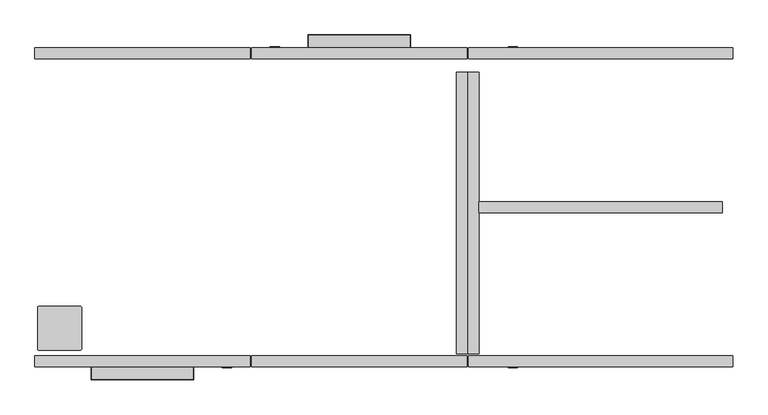
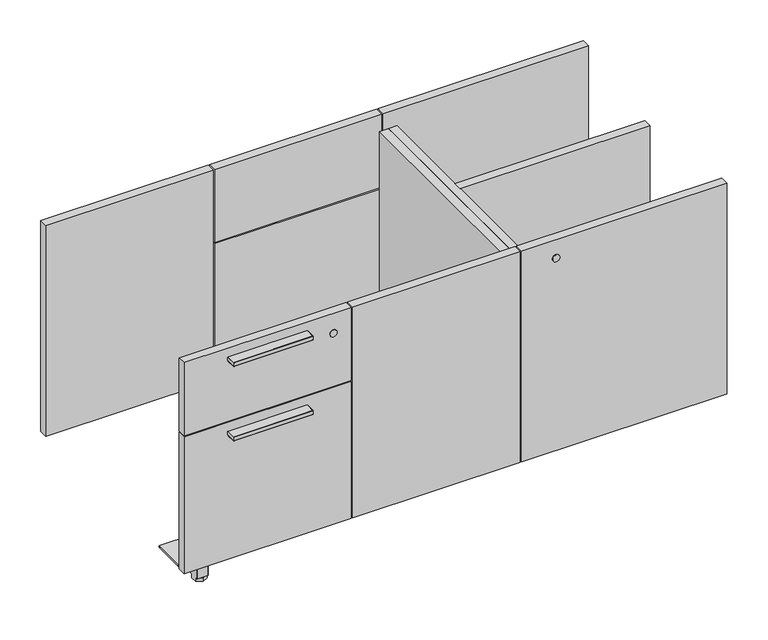
"""IFC4 building model written with IfcOpenShell, lengths in millimetres: furniture geometry."""

from ifc_helpers import new_model, si_unit, point, frame, frame_2d, origin, place, context, project, spatial, polyline, circle_curve, ellipse_curve, trimmed, segment, composite_curve, outline, extrude, source, transform, mapped, element, save
from ifc_brep_helpers import plane_surface, cylinder_surface, revolved_surface, advanced_brep


def furniture_736e9477(model_context):
    return source(origin(), model_context, "Body", "SolidModel", [
        advanced_brep(
        [(8.8875003, -247.6490008, 57.2209895), (6.3474999, -245.1090004, 57.2209895), (6.3474999, -173.9889984, 57.2209895), (8.8874975, -171.4490008, 57.2209895), (80.0074983, -171.4490008, 57.2209895), (82.5474959, -173.9889984, 57.2209895), (82.5474959, -245.1090032, 57.2209895), (80.0074983, -247.6490008, 57.2209895), (52.5754989, -241.2990068, 57.2209895), (74.419502, -241.2990068, 57.2209895), (76.197502, -239.5210068, 57.2209895), (76.197502, -217.6769947, 57.2209895), (74.419502, -215.8989947, 57.2209895), (52.5754989, -215.8989947, 57.2209895), (50.7974989, -217.6769947, 57.2209895), (50.7974989, -239.5210068, 57.2209895), (8.8875003, -247.6490008, 60.2689911), (80.0074983, -247.6490008, 60.2689911), (82.5474959, -245.1090032, 60.2689911), (82.5474959, -173.9889984, 60.2689911), (80.0074983, -171.4490008, 60.2689911), (8.8874975, -171.4490008, 60.2689911), (6.3474999, -173.9889984, 60.2689911), (6.3474999, -245.1090004, 60.2689911), (52.5754989, -241.2990068, 9.146411), (50.7974989, -239.5210068, 9.146411), (50.7974989, -235.931345, 9.146411), (60.0945619, -241.2990068, 9.146411), (50.7974989, -217.6769947, 9.146411), (52.5754989, -215.8989947, 9.146411), (60.0945619, -215.8989947, 9.146411), (50.7974989, -221.2666565, 9.146411), (74.419502, -215.8989947, 9.146411), (76.197502, -217.6769947, 9.146411), (76.197502, -221.2666565, 9.146411), (66.900439, -215.8989947, 9.146411), (76.197502, -239.5210068, 9.146411), (74.419502, -241.2990068, 9.146411), (66.900439, -241.2990068, 9.146411), (76.197502, -235.931345, 9.146411), (76.197502, -235.9313476, 0.0), (76.197502, -221.266654, 0.0), (50.7974989, -221.266654, 0.0), (50.7974989, -235.9313476, 0.0), (63.4975005, -213.9343072, 9.146411), (63.4975005, -243.2636943, 9.146411), (63.4975005, -213.9343072, 0.0), (63.4975005, -243.2636943, 0.0)],
        [
            (0, 1, circle_curve(frame((8.8875003, -245.1090004, 57.2209895), z_axis=(0.0, 0.0, -1.0), x_axis=(1.0, 0.0, 0.0)), 2.5400004)),
            (1, 2),
            (2, 3, circle_curve(frame((8.8874975, -173.9889984, 57.2209895), z_axis=(0.0, 0.0, -1.0), x_axis=(1.0, 0.0, 0.0)), 2.5399976)),
            (3, 4),
            (4, 5, circle_curve(frame((80.0074983, -173.9889984, 57.2209895), z_axis=(0.0, 0.0, -1.0), x_axis=(1.0, 0.0, 0.0)), 2.5399976)),
            (5, 6),
            (6, 7, circle_curve(frame((80.0074983, -245.1090032, 57.2209895), z_axis=(0.0, 0.0, -1.0), x_axis=(1.0, 0.0, 0.0)), 2.5399976)),
            (7, 0),
            (8, 9),
            (9, 10, circle_curve(frame((74.419502, -239.5210068, 57.2209895), z_axis=(0.0, 0.0, 1.0), x_axis=(1.0, 0.0, 0.0)), 1.778)),
            (10, 11),
            (11, 12, circle_curve(frame((74.419502, -217.6769947, 57.2209895), z_axis=(0.0, 0.0, 1.0), x_axis=(1.0, 0.0, 0.0)), 1.778)),
            (12, 13),
            (13, 14, circle_curve(frame((52.5754989, -217.6769947, 57.2209895), z_axis=(0.0, 0.0, 1.0), x_axis=(1.0, 0.0, 0.0)), 1.778)),
            (14, 15),
            (15, 8, circle_curve(frame((52.5754989, -239.5210068, 57.2209895), z_axis=(0.0, 0.0, 1.0), x_axis=(1.0, 0.0, 0.0)), 1.778)),
            (16, 17),
            (17, 18, circle_curve(frame((80.0074983, -245.1090032, 60.2689911), z_axis=(0.0, 0.0, 1.0), x_axis=(1.0, 0.0, 0.0)), 2.5399976)),
            (18, 19),
            (19, 20, circle_curve(frame((80.0074983, -173.9889984, 60.2689911), z_axis=(0.0, 0.0, 1.0), x_axis=(1.0, 0.0, 0.0)), 2.5399976)),
            (20, 21),
            (21, 22, circle_curve(frame((8.8874975, -173.9889984, 60.2689911), z_axis=(0.0, 0.0, 1.0), x_axis=(1.0, 0.0, 0.0)), 2.5399976)),
            (22, 23),
            (23, 16, circle_curve(frame((8.8875003, -245.1090004, 60.2689911), z_axis=(0.0, 0.0, 1.0), x_axis=(1.0, 0.0, 0.0)), 2.5400004)),
            (7, 17),
            (16, 0),
            (6, 18),
            (5, 19),
            (4, 20),
            (3, 21),
            (2, 22),
            (1, 23),
            (24, 25, circle_curve(frame((52.5754989, -239.5210068, 9.146411), z_axis=(0.0, 0.0, -1.0), x_axis=(1.0, 0.0, 0.0)), 1.778)),
            (25, 26),
            (26, 27),
            (27, 24),
            (28, 29, circle_curve(frame((52.5754989, -217.6769947, 9.146411), z_axis=(0.0, 0.0, -1.0), x_axis=(1.0, 0.0, 0.0)), 1.778)),
            (29, 30),
            (30, 31),
            (31, 28),
            (32, 33, circle_curve(frame((74.419502, -217.6769947, 9.146411), z_axis=(0.0, 0.0, -1.0), x_axis=(1.0, 0.0, 0.0)), 1.778)),
            (33, 34),
            (34, 35),
            (35, 32),
            (36, 37, circle_curve(frame((74.419502, -239.5210068, 9.146411), z_axis=(0.0, 0.0, -1.0), x_axis=(1.0, 0.0, 0.0)), 1.778)),
            (37, 38),
            (38, 39),
            (39, 36),
            (8, 24),
            (27, 38),
            (37, 9),
            (36, 10),
            (39, 40),
            (40, 41),
            (41, 34),
            (33, 11),
            (32, 12),
            (35, 30),
            (29, 13),
            (28, 14),
            (31, 42),
            (42, 43),
            (43, 26),
            (25, 15),
            (35, 44),
            (44, 30),
            (27, 45),
            (45, 38),
            (42, 46),
            (46, 41),
            (40, 47),
            (47, 43),
            (47, 45),
            (46, 44),
        ],
        [
            plane_surface(frame((80.0074983, -247.6490008, 57.2209895), z_axis=(0.0, 0.0, -1.0), x_axis=(-1.0, 0.0, 0.0))),
            plane_surface(frame((80.0074983, -247.6490008, 60.2689911), z_axis=(0.0, 0.0, 1.0), x_axis=(1.0, 0.0, 0.0))),
            plane_surface(frame((8.8875003, -247.6490008, 60.2689911), z_axis=(0.0, -1.0, 0.0), x_axis=(0.0, 0.0, -1.0))),
            cylinder_surface(frame((80.0074983, -245.1090032, 57.2209895), z_axis=(0.0, 0.0, 1.0), x_axis=(1.0, 0.0, 0.0)), 2.5399976),
            plane_surface(frame((82.5474959, -245.1090032, 60.2689911), z_axis=(1.0, 0.0, 0.0), x_axis=(0.0, 0.0, -1.0))),
            cylinder_surface(frame((80.0074983, -173.9889984, 57.2209895), z_axis=(0.0, 0.0, 1.0), x_axis=(1.0, 0.0, 0.0)), 2.5399976),
            plane_surface(frame((80.0074983, -171.4490008, 60.2689911), z_axis=(0.0, 1.0, 0.0), x_axis=(0.0, 0.0, -1.0))),
            cylinder_surface(frame((8.8874975, -173.9889984, 57.2209895), z_axis=(0.0, 0.0, 1.0), x_axis=(1.0, 0.0, 0.0)), 2.5399976),
            plane_surface(frame((6.3474999, -173.9889984, 60.2689911), z_axis=(-1.0, 0.0, 0.0), x_axis=(0.0, 0.0, -1.0))),
            cylinder_surface(frame((8.8875003, -245.1090004, 57.2209895), z_axis=(0.0, 0.0, 1.0), x_axis=(1.0, 0.0, 0.0)), 2.5400004),
            plane_surface(frame((74.546499, -241.2990068, 9.146411), z_axis=(0.0, 0.0, -1.0), x_axis=(-1.0, 0.0, 0.0))),
            plane_surface(frame((52.5754989, -241.2990068, 57.2209895), z_axis=(0.0, -1.0, 0.0), x_axis=(0.0, 0.0, -1.0))),
            cylinder_surface(frame((74.419502, -239.5210068, 9.146411), z_axis=(0.0, 0.0, 1.0), x_axis=(1.0, 0.0, 0.0)), 1.778),
            plane_surface(frame((76.197502, -239.5210068, 57.2209895), z_axis=(1.0, 0.0, 0.0), x_axis=(0.0, 0.0, -1.0))),
            cylinder_surface(frame((74.419502, -217.6769947, 9.146411), z_axis=(0.0, 0.0, 1.0), x_axis=(1.0, 0.0, 0.0)), 1.778),
            plane_surface(frame((74.419502, -215.8989947, 57.2209895), z_axis=(0.0, 1.0, 0.0), x_axis=(0.0, 0.0, -1.0))),
            cylinder_surface(frame((52.5754989, -217.6769947, 9.146411), z_axis=(0.0, 0.0, 1.0), x_axis=(1.0, 0.0, 0.0)), 1.778),
            plane_surface(frame((50.7974989, -217.6769947, 57.2209895), z_axis=(-1.0, 0.0, 0.0), x_axis=(0.0, 0.0, -1.0))),
            cylinder_surface(frame((52.5754989, -239.5210068, 9.146411), z_axis=(0.0, 0.0, 1.0), x_axis=(1.0, 0.0, 0.0)), 1.778),
            plane_surface(frame((50.7975033, -221.266654, 9.146411), z_axis=(0.0, 0.0, 1.0), x_axis=(0.0, -1.0, 0.0))),
            plane_surface(frame((50.7975033, -221.266654, 0.0), z_axis=(0.0, 0.0, -1.0), x_axis=(0.0, 1.0, 0.0))),
            plane_surface(frame((50.7975033, -235.9313476, 9.146411), z_axis=(-0.5000000000000034, -0.8660254037844367, 0.0), x_axis=(0.0, 0.0, -1.0))),
            plane_surface(frame((63.4975005, -243.2636943, 9.146411), z_axis=(0.4999999999999956, -0.8660254037844412, 0.0), x_axis=(0.0, 0.0, -1.0))),
            plane_surface(frame((76.1974976, -221.266654, 9.146411), z_axis=(0.5000000000000064, 0.866025403784435, 0.0), x_axis=(0.0, 0.0, -1.0))),
            plane_surface(frame((63.4975005, -213.9343072, 9.146411), z_axis=(-0.49999999999999795, 0.8660254037844399, 0.0), x_axis=(0.0, 0.0, -1.0))),
        ],
        [
            (0, [[1, 2, 3, 4, 5, 6, 7, 8], [9, 10, 11, 12, 13, 14, 15, 16]]),
            (1, [[17, 18, 19, 20, 21, 22, 23, 24]]),
            (2, [[-8, 25, -17, 26]]),
            (3, [[-7, 27, -18, -25]]),
            (4, [[-6, 28, -19, -27]]),
            (5, [[-5, 29, -20, -28]]),
            (6, [[-4, 30, -21, -29]]),
            (7, [[-3, 31, -22, -30]]),
            (8, [[-2, 32, -23, -31]]),
            (9, [[-1, -26, -24, -32]]),
            (10, [[33, 34, 35, 36]]),
            (10, [[37, 38, 39, 40]]),
            (10, [[41, 42, 43, 44]]),
            (10, [[45, 46, 47, 48]]),
            (11, [[49, -36, 50, -46, 51, -9]]),
            (12, [[-45, 52, -10, -51]]),
            (13, [[-52, -48, 53, 54, 55, -42, 56, -11]]),
            (14, [[-41, 57, -12, -56]]),
            (15, [[-57, -44, 58, -38, 59, -13]]),
            (16, [[-37, 60, -14, -59]]),
            (17, [[-60, -40, 61, 62, 63, -34, 64, -15]]),
            (18, [[-33, -49, -16, -64]]),
            (19, [[65, 66, -58]]),
            (19, [[67, 68, -50]]),
            (20, [[69, 70, -54, 71, 72, -62]]),
            (21, [[-72, 73, -67, -35, -63]]),
            (22, [[-71, -53, -47, -68, -73]]),
            (23, [[-70, 74, -65, -43, -55]]),
            (24, [[-69, -61, -39, -66, -74]]),
        ],
    ),
        advanced_brep(
        [(475.6990058, 276.4790179, 527.0591806), (475.6990058, 297.9420247, 527.0591806), (652.0622442, 297.9420247, 527.0591806), (652.0622442, 276.4790179, 527.0591806), (622.3668458, 276.4790179, 527.0591806), (622.3736672, 292.3939808, 527.0591806), (505.3909935, 292.3939808, 527.0591806), (505.3944041, 276.4790179, 527.0591806), (652.0622442, 276.4790179, 536.5841806), (652.0622442, 297.9420247, 536.5841806), (475.6990058, 297.9420247, 536.5841806), (475.6990058, 276.4790179, 536.5841806), (506.1863581, 276.4790179, 527.7699741), (512.4964295, 276.4790179, 533.4091528), (615.2648205, 276.4790179, 533.4091528), (621.5748919, 276.4790179, 527.7699741), (512.4964295, 292.3939808, 533.4091528), (506.1863581, 292.3939808, 527.7699741), (621.5748919, 292.3939808, 527.7699741), (615.2648205, 292.3939808, 533.4091528)],
        [
            (0, 1),
            (1, 2),
            (2, 3),
            (3, 4),
            (4, 5),
            (5, 6),
            (6, 7),
            (7, 0),
            (8, 9),
            (9, 10),
            (10, 11),
            (11, 8),
            (11, 0),
            (7, 12, circle_curve(frame((505.3909935, 276.4790179, 527.8595683), z_axis=(0.0, -1.0, 0.0), x_axis=(0.0, 0.0, -1.0)), 0.8003949)),
            (12, 13, circle_curve(frame((512.4964295, 276.4790179, 527.0591734), z_axis=(0.0, 1.0, 0.0), x_axis=(0.0, 0.0, -1.0)), 6.3499794)),
            (13, 14),
            (14, 15, circle_curve(frame((615.2648205, 276.4790179, 527.0591734), z_axis=(0.0, 1.0, 0.0), x_axis=(0.0, 0.0, -1.0)), 6.3499794)),
            (15, 4, circle_curve(frame((622.3702565, 276.4790179, 527.8595683), z_axis=(0.0, -1.0, 0.0), x_axis=(0.0, 0.0, -1.0)), 0.8003949)),
            (3, 8),
            (10, 1),
            (9, 2),
            (16, 17, circle_curve(frame((512.4964295, 292.3939808, 527.0591734), z_axis=(0.0, -1.0, 0.0), x_axis=(0.0, 0.0, -1.0)), 6.3499794)),
            (17, 6, circle_curve(frame((505.3909935, 292.3939808, 527.8595683), z_axis=(0.0, 1.0, 0.0), x_axis=(0.0, 0.0, -1.0)), 0.8003949)),
            (5, 18, circle_curve(frame((622.3702565, 292.3939808, 527.8595683), z_axis=(0.0, 1.0, 0.0), x_axis=(0.0, 0.0, -1.0)), 0.8003949)),
            (18, 19, circle_curve(frame((615.2648205, 292.3939808, 527.0591734), z_axis=(0.0, -1.0, 0.0), x_axis=(0.0, 0.0, -1.0)), 6.3499794)),
            (19, 16),
            (16, 13),
            (12, 17),
            (15, 18),
            (14, 19),
        ],
        [
            plane_surface(frame((367.430619, 276.4790179, 527.0591806), z_axis=(0.0, 0.0, -1.0), x_axis=(-1.0, 0.0, 0.0))),
            plane_surface(frame((367.430619, 276.4790179, 536.5841806), z_axis=(0.0, 0.0, 1.0), x_axis=(1.0, 0.0, 0.0))),
            plane_surface(frame((652.0622442, 276.4790179, 527.0591806), z_axis=(0.0, -1.0, 0.0), x_axis=(0.0, 0.0, 1.0))),
            plane_surface(frame((475.6990058, 276.4790179, 527.0591806), z_axis=(-1.0, 0.0, 0.0), x_axis=(0.0, 0.0, 1.0))),
            plane_surface(frame((475.6990058, 297.9420247, 527.0591806), z_axis=(0.0, 1.0, 0.0), x_axis=(0.0, 0.0, 1.0))),
            plane_surface(frame((652.0622442, 297.9420247, 527.0591806), z_axis=(1.0, 0.0, 0.0), x_axis=(0.0, 0.0, 1.0))),
            plane_surface(frame((563.880625, 292.3939808, 531.8216806), z_axis=(0.0, -1.0, 0.0), x_axis=(-1.0, 0.0, 0.0))),
            revolved_surface(polyline([(512.4964295, 276.4790179, 520.7091939999999), (512.4964295, 292.3939808, 520.7091939999999)]), (512.4964295, 276.4790179, 527.0591734), (0.0, -1.0, 0.0)),
            cylinder_surface(frame((505.3909935, 276.4790179, 527.8595683), z_axis=(0.0, 1.0, 0.0), x_axis=(0.0, 0.0, -1.0)), 0.8003949),
            cylinder_surface(frame((622.3702565, 276.4790179, 527.8595683), z_axis=(0.0, 1.0, 0.0), x_axis=(0.0, 0.0, -1.0)), 0.8003949),
            revolved_surface(polyline([(615.2648205, 276.4790179, 520.7091939999999), (615.2648205, 292.3939808, 520.7091939999999)]), (615.2648205, 276.4790179, 527.0591734), (0.0, -1.0, 0.0)),
            plane_surface(frame((615.2648205, 276.4790179, 533.4091528), z_axis=(0.0, 0.0, -1.0), x_axis=(0.0, 1.0, 0.0))),
        ],
        [
            (0, [[1, 2, 3, 4, 5, 6, 7, 8]]),
            (1, [[9, 10, 11, 12]]),
            (2, [[-12, 13, -8, 14, 15, 16, 17, 18, -4, 19]]),
            (3, [[-1, -13, -11, 20]]),
            (4, [[-2, -20, -10, 21]]),
            (5, [[-3, -21, -9, -19]]),
            (6, [[22, 23, -6, 24, 25, 26]]),
            (7, [[-22, 27, -15, 28]]),
            (8, [[-23, -28, -14, -7]]),
            (9, [[-24, -5, -18, 29]]),
            (10, [[-25, -29, -17, 30]]),
            (11, [[-26, -30, -16, -27]]),
        ],
    ),
        advanced_brep(
        [(652.0622442, 276.4790179, 527.0591625), (652.8242253, 276.4790179, 527.8211254), (652.8242253, 276.4790179, 535.8169014), (652.0622442, 276.4790179, 536.578937), (652.0622442, 297.9420247, 527.0591625), (652.8242253, 298.7040058, 527.8211254), (652.8242253, 298.7040058, 535.8169014), (652.0622442, 297.9420247, 536.578937), (475.6990058, 297.9420247, 527.0591625), (474.9370247, 298.7040058, 527.8211254), (474.9370247, 298.7040058, 535.8169014), (475.6990058, 297.9420247, 536.578937), (475.6990058, 276.4790179, 527.0591625), (475.6990058, 276.4790179, 536.578937), (474.9370247, 276.4790179, 535.8169014), (474.9370247, 276.4790179, 527.8211254)],
        [
            (0, 1, circle_curve(frame((652.0622623, 276.4790179, 527.8211254), z_axis=(0.0, -1.0, 0.0), x_axis=(-1.0, 0.0, 0.0)), 0.7619629)),
            (1, 2),
            (2, 3, circle_curve(frame((652.0621897, 276.4790179, 535.8169014), z_axis=(0.0, -1.0, 0.0), x_axis=(-1.0, 0.0, 0.0)), 0.7620356)),
            (3, 0),
            (0, 4),
            (4, 5, ellipse_curve(frame((652.0622623, 297.9420429, 527.8211254), z_axis=(0.7071067811865458, -0.7071067811865492, 0.0), x_axis=(-0.7071067811865491, -0.7071067811865458, 0.0)), 1.0775783, 0.7619629)),
            (5, 1),
            (5, 6),
            (6, 2),
            (6, 7, ellipse_curve(frame((652.0621897, 297.9419702, 535.8169014), z_axis=(0.7071067811865458, -0.7071067811865492, 0.0), x_axis=(-0.7071067811865491, -0.7071067811865458, 0.0)), 1.0776811, 0.7620356)),
            (7, 3),
            (7, 4),
            (4, 8),
            (8, 9, ellipse_curve(frame((475.6989876, 297.9420429, 527.8211254), z_axis=(0.7071067811865492, 0.7071067811865458, 0.0), x_axis=(0.7071067811865457, -0.7071067811865492, 0.0)), 1.0775783, 0.7619629)),
            (9, 5),
            (9, 10),
            (10, 6),
            (10, 11, ellipse_curve(frame((475.6990603, 297.9419702, 535.8169014), z_axis=(0.7071067811865492, 0.7071067811865458, 0.0), x_axis=(0.7071067811865457, -0.7071067811865492, 0.0)), 1.0776811, 0.7620356)),
            (11, 7),
            (11, 8),
            (12, 13),
            (13, 14, circle_curve(frame((475.6990603, 276.4790179, 535.8169014), z_axis=(0.0, -1.0, 0.0), x_axis=(1.0, 0.0, 0.0)), 0.7620356)),
            (14, 15),
            (15, 12, circle_curve(frame((475.6989876, 276.4790179, 527.8211254), z_axis=(0.0, -1.0, 0.0), x_axis=(1.0, 0.0, 0.0)), 0.7619629)),
            (8, 12),
            (15, 9),
            (14, 10),
            (13, 11),
        ],
        [
            plane_surface(frame((652.5266222, 276.4790179, 531.8216806), z_axis=(0.0, -1.0, 0.0), x_axis=(0.0, 0.0, 1.0))),
            cylinder_surface(frame((652.0622623, 276.4790179, 527.8211254), z_axis=(0.0, -1.0, 0.0), x_axis=(-1.0, 0.0, 0.0)), 0.7619629),
            plane_surface(frame((652.8242253, 276.4790179, 527.8211254), z_axis=(1.0, 0.0, 0.0), x_axis=(0.0, 1.0, 0.0))),
            cylinder_surface(frame((652.0621897, 276.4790179, 535.8169014), z_axis=(0.0, -1.0, 0.0), x_axis=(-1.0, 0.0, 0.0)), 0.7620356),
            plane_surface(frame((652.0622442, 276.4790179, 536.578937), z_axis=(-1.0, 0.0, 0.0), x_axis=(0.0, 1.0, 0.0))),
            cylinder_surface(frame((652.5266222, 297.9420429, 527.8211254), z_axis=(1.0, 0.0, 0.0), x_axis=(0.0, -1.0, 0.0)), 0.7619629),
            plane_surface(frame((652.8242253, 298.7040058, 527.8211254), z_axis=(0.0, 1.0, 0.0), x_axis=(-1.0, 0.0, 0.0))),
            cylinder_surface(frame((652.5266222, 297.9419702, 535.8169014), z_axis=(1.0, 0.0, 0.0), x_axis=(0.0, -1.0, 0.0)), 0.7620356),
            plane_surface(frame((652.0622442, 297.9420247, 536.578937), z_axis=(0.0, -1.0, 0.0), x_axis=(-1.0, 0.0, 0.0))),
            plane_surface(frame((475.2346277, 276.4790179, 531.8216806), z_axis=(0.0, -1.0, 0.0), x_axis=(0.0, 0.0, 1.0))),
            cylinder_surface(frame((475.6989876, 298.4064027, 527.8211254), z_axis=(0.0, 1.0, 0.0), x_axis=(1.0, 0.0, 0.0)), 0.7619629),
            plane_surface(frame((474.9370247, 298.7040058, 527.8211254), z_axis=(-1.0, 0.0, 0.0), x_axis=(0.0, -1.0, 0.0))),
            cylinder_surface(frame((475.6990603, 298.4064027, 535.8169014), z_axis=(0.0, 1.0, 0.0), x_axis=(1.0, 0.0, 0.0)), 0.7620356),
            plane_surface(frame((475.6990058, 297.9420247, 536.578937), z_axis=(1.0, 0.0, 0.0), x_axis=(0.0, -1.0, 0.0))),
        ],
        [
            (0, [[1, 2, 3, 4]]),
            (1, [[-1, 5, 6, 7]]),
            (2, [[-2, -7, 8, 9]]),
            (3, [[-3, -9, 10, 11]]),
            (4, [[-4, -11, 12, -5]]),
            (5, [[-6, 13, 14, 15]]),
            (6, [[-8, -15, 16, 17]]),
            (7, [[-10, -17, 18, 19]]),
            (8, [[-12, -19, 20, -13]]),
            (9, [[21, 22, 23, 24]]),
            (10, [[-14, 25, -24, 26]]),
            (11, [[-16, -26, -23, 27]]),
            (12, [[-18, -27, -22, 28]]),
            (13, [[-20, -28, -21, -25]]),
        ],
    ),
        advanced_brep(
        [(276.1383119, -276.4790179, 527.0591806), (276.1383119, -297.9420247, 527.0591806), (99.7750735, -297.9420247, 527.0591806), (99.7750735, -276.4790179, 527.0591806), (129.4704719, -276.4790179, 527.0591806), (129.4636505, -292.3939808, 527.0591806), (246.4463242, -292.3939808, 527.0591806), (246.4429135, -276.4790179, 527.0591806), (99.7750735, -276.4790179, 536.5841806), (99.7750735, -297.9420247, 536.5841806), (276.1383119, -297.9420247, 536.5841806), (276.1383119, -276.4790179, 536.5841806), (245.6509596, -276.4790179, 527.7699741), (239.3408882, -276.4790179, 533.4091528), (136.5724972, -276.4790179, 533.4091528), (130.2624258, -276.4790179, 527.7699741), (239.3408882, -292.3939808, 533.4091528), (245.6509596, -292.3939808, 527.7699741), (130.2624258, -292.3939808, 527.7699741), (136.5724972, -292.3939808, 533.4091528)],
        [
            (0, 1),
            (1, 2),
            (2, 3),
            (3, 4),
            (4, 5),
            (5, 6),
            (6, 7),
            (7, 0),
            (8, 9),
            (9, 10),
            (10, 11),
            (11, 8),
            (11, 0),
            (7, 12, circle_curve(frame((246.4463242, -276.4790179, 527.8595683), z_axis=(0.0, 1.0, 0.0), x_axis=(0.0, 0.0, -1.0)), 0.8003949)),
            (12, 13, circle_curve(frame((239.3408882, -276.4790179, 527.0591734), z_axis=(0.0, -1.0, 0.0), x_axis=(0.0, 0.0, -1.0)), 6.3499794)),
            (13, 14),
            (14, 15, circle_curve(frame((136.5724972, -276.4790179, 527.0591734), z_axis=(0.0, -1.0, 0.0), x_axis=(0.0, 0.0, -1.0)), 6.3499794)),
            (15, 4, circle_curve(frame((129.4670612, -276.4790179, 527.8595683), z_axis=(0.0, 1.0, 0.0), x_axis=(0.0, 0.0, -1.0)), 0.8003949)),
            (3, 8),
            (10, 1),
            (9, 2),
            (16, 17, circle_curve(frame((239.3408882, -292.3939808, 527.0591734), z_axis=(0.0, 1.0, 0.0), x_axis=(0.0, 0.0, -1.0)), 6.3499794)),
            (17, 6, circle_curve(frame((246.4463242, -292.3939808, 527.8595683), z_axis=(0.0, -1.0, 0.0), x_axis=(0.0, 0.0, -1.0)), 0.8003949)),
            (5, 18, circle_curve(frame((129.4670612, -292.3939808, 527.8595683), z_axis=(0.0, -1.0, 0.0), x_axis=(0.0, 0.0, -1.0)), 0.8003949)),
            (18, 19, circle_curve(frame((136.5724972, -292.3939808, 527.0591734), z_axis=(0.0, 1.0, 0.0), x_axis=(0.0, 0.0, -1.0)), 6.3499794)),
            (19, 16),
            (16, 13),
            (12, 17),
            (15, 18),
            (14, 19),
        ],
        [
            plane_surface(frame((384.4066986, -276.4790179, 527.0591806), z_axis=(0.0, 0.0, -1.0), x_axis=(1.0, 0.0, 0.0))),
            plane_surface(frame((384.4066986, -276.4790179, 536.5841806), z_axis=(0.0, 0.0, 1.0), x_axis=(-1.0, 0.0, 0.0))),
            plane_surface(frame((99.7750735, -276.4790179, 527.0591806), z_axis=(0.0, 1.0, 0.0), x_axis=(0.0, 0.0, 1.0))),
            plane_surface(frame((276.1383119, -276.4790179, 527.0591806), z_axis=(1.0, 0.0, 0.0), x_axis=(0.0, 0.0, 1.0))),
            plane_surface(frame((276.1383119, -297.9420247, 527.0591806), z_axis=(0.0, -1.0, 0.0), x_axis=(0.0, 0.0, 1.0))),
            plane_surface(frame((99.7750735, -297.9420247, 527.0591806), z_axis=(-1.0, 0.0, 0.0), x_axis=(0.0, 0.0, 1.0))),
            plane_surface(frame((187.9566927, -292.3939808, 531.8216806), z_axis=(0.0, 1.0, 0.0), x_axis=(1.0, 0.0, 0.0))),
            revolved_surface(polyline([(239.3408882, -276.4790179, 520.7091939999999), (239.3408882, -292.3939808, 520.7091939999999)]), (239.3408882, -276.4790179, 527.0591734), (0.0, 1.0, 0.0)),
            cylinder_surface(frame((246.4463242, -276.4790179, 527.8595683), z_axis=(0.0, -1.0, 0.0), x_axis=(0.0, 0.0, -1.0)), 0.8003949),
            cylinder_surface(frame((129.4670612, -276.4790179, 527.8595683), z_axis=(0.0, -1.0, 0.0), x_axis=(0.0, 0.0, -1.0)), 0.8003949),
            revolved_surface(polyline([(136.5724972, -276.4790179, 520.7091939999999), (136.5724972, -292.3939808, 520.7091939999999)]), (136.5724972, -276.4790179, 527.0591734), (0.0, 1.0, 0.0)),
            plane_surface(frame((136.5724972, -276.4790179, 533.4091528), z_axis=(0.0, 0.0, -1.0), x_axis=(0.0, -1.0, 0.0))),
        ],
        [
            (0, [[1, 2, 3, 4, 5, 6, 7, 8]]),
            (1, [[9, 10, 11, 12]]),
            (2, [[-12, 13, -8, 14, 15, 16, 17, 18, -4, 19]]),
            (3, [[-1, -13, -11, 20]]),
            (4, [[-2, -20, -10, 21]]),
            (5, [[-3, -21, -9, -19]]),
            (6, [[22, 23, -6, 24, 25, 26]]),
            (7, [[-22, 27, -15, 28]]),
            (8, [[-23, -28, -14, -7]]),
            (9, [[-24, -5, -18, 29]]),
            (10, [[-25, -29, -17, 30]]),
            (11, [[-26, -30, -16, -27]]),
        ],
    ),
        advanced_brep(
        [(99.7750735, -276.4790179, 527.0591625), (99.0130924, -276.4790179, 527.8211254), (99.0130924, -276.4790179, 535.8169014), (99.7750735, -276.4790179, 536.578937), (99.7750735, -297.9420247, 527.0591625), (99.0130924, -298.7040058, 527.8211254), (99.0130924, -298.7040058, 535.8169014), (99.7750735, -297.9420247, 536.578937), (276.1383119, -297.9420247, 527.0591625), (276.900293, -298.7040058, 527.8211254), (276.900293, -298.7040058, 535.8169014), (276.1383119, -297.9420247, 536.578937), (276.1383119, -276.4790179, 527.0591625), (276.1383119, -276.4790179, 536.578937), (276.900293, -276.4790179, 535.8169014), (276.900293, -276.4790179, 527.8211254)],
        [
            (0, 1, circle_curve(frame((99.7750553, -276.4790179, 527.8211254), z_axis=(0.0, 1.0, 0.0), x_axis=(1.0, 0.0, 0.0)), 0.7619629)),
            (1, 2),
            (2, 3, circle_curve(frame((99.775128, -276.4790179, 535.8169014), z_axis=(0.0, 1.0, 0.0), x_axis=(1.0, 0.0, 0.0)), 0.7620356)),
            (3, 0),
            (0, 4),
            (4, 5, ellipse_curve(frame((99.7750553, -297.9420429, 527.8211254), z_axis=(-0.707106781186548, 0.7071067811865469, 0.0), x_axis=(0.7071067811865468, 0.7071067811865481, 0.0)), 1.0775783, 0.7619629)),
            (5, 1),
            (5, 6),
            (6, 2),
            (6, 7, ellipse_curve(frame((99.775128, -297.9419702, 535.8169014), z_axis=(-0.707106781186548, 0.7071067811865469, 0.0), x_axis=(0.7071067811865468, 0.7071067811865481, 0.0)), 1.0776811, 0.7620356)),
            (7, 3),
            (7, 4),
            (4, 8),
            (8, 9, ellipse_curve(frame((276.1383301, -297.9420429, 527.8211254), z_axis=(-0.7071067811865469, -0.7071067811865481, 0.0), x_axis=(-0.7071067811865481, 0.7071067811865469, 0.0)), 1.0775783, 0.7619629)),
            (9, 5),
            (9, 10),
            (10, 6),
            (10, 11, ellipse_curve(frame((276.1382574, -297.9419702, 535.8169014), z_axis=(-0.7071067811865469, -0.7071067811865481, 0.0), x_axis=(-0.7071067811865481, 0.7071067811865469, 0.0)), 1.0776811, 0.7620356)),
            (11, 7),
            (11, 8),
            (12, 13),
            (13, 14, circle_curve(frame((276.1382574, -276.4790179, 535.8169014), z_axis=(0.0, 1.0, 0.0), x_axis=(-1.0, 0.0, 0.0)), 0.7620356)),
            (14, 15),
            (15, 12, circle_curve(frame((276.1383301, -276.4790179, 527.8211254), z_axis=(0.0, 1.0, 0.0), x_axis=(-1.0, 0.0, 0.0)), 0.7619629)),
            (8, 12),
            (15, 9),
            (14, 10),
            (13, 11),
        ],
        [
            plane_surface(frame((99.3106955, -276.4790179, 531.8216806), z_axis=(0.0, 1.0, 0.0), x_axis=(0.0, 0.0, 1.0))),
            cylinder_surface(frame((99.7750553, -276.4790179, 527.8211254), z_axis=(0.0, 1.0, 0.0), x_axis=(1.0, 0.0, 0.0)), 0.7619629),
            plane_surface(frame((99.0130924, -276.4790179, 527.8211254), z_axis=(-1.0, 0.0, 0.0), x_axis=(0.0, -1.0, 0.0))),
            cylinder_surface(frame((99.775128, -276.4790179, 535.8169014), z_axis=(0.0, 1.0, 0.0), x_axis=(1.0, 0.0, 0.0)), 0.7620356),
            plane_surface(frame((99.7750735, -276.4790179, 536.578937), z_axis=(1.0, 0.0, 0.0), x_axis=(0.0, -1.0, 0.0))),
            cylinder_surface(frame((99.3106955, -297.9420429, 527.8211254), z_axis=(-1.0, 0.0, 0.0), x_axis=(0.0, 1.0, 0.0)), 0.7619629),
            plane_surface(frame((99.0130924, -298.7040058, 527.8211254), z_axis=(0.0, -1.0, 0.0), x_axis=(1.0, 0.0, 0.0))),
            cylinder_surface(frame((99.3106955, -297.9419702, 535.8169014), z_axis=(-1.0, 0.0, 0.0), x_axis=(0.0, 1.0, 0.0)), 0.7620356),
            plane_surface(frame((99.7750735, -297.9420247, 536.578937), z_axis=(0.0, 1.0, 0.0), x_axis=(1.0, 0.0, 0.0))),
            plane_surface(frame((276.6026899, -276.4790179, 531.8216806), z_axis=(0.0, 1.0, 0.0), x_axis=(0.0, 0.0, 1.0))),
            cylinder_surface(frame((276.1383301, -298.4064027, 527.8211254), z_axis=(0.0, -1.0, 0.0), x_axis=(-1.0, 0.0, 0.0)), 0.7619629),
            plane_surface(frame((276.900293, -298.7040058, 527.8211254), z_axis=(1.0, 0.0, 0.0), x_axis=(0.0, 1.0, 0.0))),
            cylinder_surface(frame((276.1382574, -298.4064027, 535.8169014), z_axis=(0.0, -1.0, 0.0), x_axis=(-1.0, 0.0, 0.0)), 0.7620356),
            plane_surface(frame((276.1383119, -297.9420247, 536.578937), z_axis=(-1.0, 0.0, 0.0), x_axis=(0.0, 1.0, 0.0))),
        ],
        [
            (0, [[1, 2, 3, 4]]),
            (1, [[-1, 5, 6, 7]]),
            (2, [[-2, -7, 8, 9]]),
            (3, [[-3, -9, 10, 11]]),
            (4, [[-4, -11, 12, -5]]),
            (5, [[-6, 13, 14, 15]]),
            (6, [[-8, -15, 16, 17]]),
            (7, [[-10, -17, 18, 19]]),
            (8, [[-12, -19, 20, -13]]),
            (9, [[21, 22, 23, 24]]),
            (10, [[-14, 25, -24, 26]]),
            (11, [[-16, -26, -23, 27]]),
            (12, [[-18, -27, -22, 28]]),
            (13, [[-20, -28, -21, -25]]),
        ],
    ),
        advanced_brep(
        [(475.6990058, 276.4790179, 351.9491933), (475.6990058, 297.9420247, 351.9491933), (652.0622442, 297.9420247, 351.9491933), (652.0622442, 276.4790179, 351.9491933), (622.3668458, 276.4790179, 351.9491933), (622.3736672, 292.3939808, 351.9491933), (505.3909935, 292.3939808, 351.9491933), (505.3944041, 276.4790179, 351.9491933), (652.0622442, 276.4790179, 361.4741933), (652.0622442, 297.9420247, 361.4741933), (475.6990058, 297.9420247, 361.4741933), (475.6990058, 276.4790179, 361.4741933), (506.1863581, 276.4790179, 352.6599867), (512.4964295, 276.4790179, 358.2991654), (615.2648205, 276.4790179, 358.2991654), (621.5748919, 276.4790179, 352.6599867), (512.4964295, 292.3939808, 358.2991654), (506.1863581, 292.3939808, 352.6599867), (621.5748919, 292.3939808, 352.6599867), (615.2648205, 292.3939808, 358.2991654)],
        [
            (0, 1),
            (1, 2),
            (2, 3),
            (3, 4),
            (4, 5),
            (5, 6),
            (6, 7),
            (7, 0),
            (8, 9),
            (9, 10),
            (10, 11),
            (11, 8),
            (11, 0),
            (7, 12, circle_curve(frame((505.3909935, 276.4790179, 352.7495809), z_axis=(0.0, -1.0, 0.0), x_axis=(0.0, 0.0, -1.0)), 0.8003949)),
            (12, 13, circle_curve(frame((512.4964295, 276.4790179, 351.949186), z_axis=(0.0, 1.0, 0.0), x_axis=(0.0, 0.0, -1.0)), 6.3499794)),
            (13, 14),
            (14, 15, circle_curve(frame((615.2648205, 276.4790179, 351.949186), z_axis=(0.0, 1.0, 0.0), x_axis=(0.0, 0.0, -1.0)), 6.3499794)),
            (15, 4, circle_curve(frame((622.3702565, 276.4790179, 352.7495809), z_axis=(0.0, -1.0, 0.0), x_axis=(0.0, 0.0, -1.0)), 0.8003949)),
            (3, 8),
            (10, 1),
            (9, 2),
            (16, 17, circle_curve(frame((512.4964295, 292.3939808, 351.949186), z_axis=(0.0, -1.0, 0.0), x_axis=(0.0, 0.0, -1.0)), 6.3499794)),
            (17, 6, circle_curve(frame((505.3909935, 292.3939808, 352.7495809), z_axis=(0.0, 1.0, 0.0), x_axis=(0.0, 0.0, -1.0)), 0.8003949)),
            (5, 18, circle_curve(frame((622.3702565, 292.3939808, 352.7495809), z_axis=(0.0, 1.0, 0.0), x_axis=(0.0, 0.0, -1.0)), 0.8003949)),
            (18, 19, circle_curve(frame((615.2648205, 292.3939808, 351.949186), z_axis=(0.0, -1.0, 0.0), x_axis=(0.0, 0.0, -1.0)), 6.3499794)),
            (19, 16),
            (16, 13),
            (12, 17),
            (15, 18),
            (14, 19),
        ],
        [
            plane_surface(frame((367.430619, 276.4790179, 351.9491933), z_axis=(0.0, 0.0, -1.0), x_axis=(-1.0, 0.0, 0.0))),
            plane_surface(frame((367.430619, 276.4790179, 361.4741933), z_axis=(0.0, 0.0, 1.0), x_axis=(1.0, 0.0, 0.0))),
            plane_surface(frame((652.0622442, 276.4790179, 351.9491933), z_axis=(0.0, -1.0, 0.0), x_axis=(0.0, 0.0, 1.0))),
            plane_surface(frame((475.6990058, 276.4790179, 351.9491933), z_axis=(-1.0, 0.0, 0.0), x_axis=(0.0, 0.0, 1.0))),
            plane_surface(frame((475.6990058, 297.9420247, 351.9491933), z_axis=(0.0, 1.0, 0.0), x_axis=(0.0, 0.0, 1.0))),
            plane_surface(frame((652.0622442, 297.9420247, 351.9491933), z_axis=(1.0, 0.0, 0.0), x_axis=(0.0, 0.0, 1.0))),
            plane_surface(frame((563.880625, 292.3939808, 356.7116933), z_axis=(0.0, -1.0, 0.0), x_axis=(-1.0, 0.0, 0.0))),
            revolved_surface(polyline([(512.4964295, 276.4790179, 345.5992066), (512.4964295, 292.3939808, 345.5992066)]), (512.4964295, 276.4790179, 351.949186), (0.0, -1.0, 0.0)),
            cylinder_surface(frame((505.3909935, 276.4790179, 352.7495809), z_axis=(0.0, 1.0, 0.0), x_axis=(0.0, 0.0, -1.0)), 0.8003949),
            cylinder_surface(frame((622.3702565, 276.4790179, 352.7495809), z_axis=(0.0, 1.0, 0.0), x_axis=(0.0, 0.0, -1.0)), 0.8003949),
            revolved_surface(polyline([(615.2648205, 276.4790179, 345.5992066), (615.2648205, 292.3939808, 345.5992066)]), (615.2648205, 276.4790179, 351.949186), (0.0, -1.0, 0.0)),
            plane_surface(frame((615.2648205, 276.4790179, 358.2991654), z_axis=(0.0, 0.0, -1.0), x_axis=(0.0, 1.0, 0.0))),
        ],
        [
            (0, [[1, 2, 3, 4, 5, 6, 7, 8]]),
            (1, [[9, 10, 11, 12]]),
            (2, [[-12, 13, -8, 14, 15, 16, 17, 18, -4, 19]]),
            (3, [[-1, -13, -11, 20]]),
            (4, [[-2, -20, -10, 21]]),
            (5, [[-3, -21, -9, -19]]),
            (6, [[22, 23, -6, 24, 25, 26]]),
            (7, [[-22, 27, -15, 28]]),
            (8, [[-23, -28, -14, -7]]),
            (9, [[-24, -5, -18, 29]]),
            (10, [[-25, -29, -17, 30]]),
            (11, [[-26, -30, -16, -27]]),
        ],
    ),
        advanced_brep(
        [(652.0622442, 276.4790179, 351.9491751), (652.8242253, 276.4790179, 352.7111381), (652.8242253, 276.4790179, 360.706914), (652.0622442, 276.4790179, 361.4689496), (652.0622442, 297.9420247, 351.9491751), (652.8242253, 298.7040058, 352.7111381), (652.8242253, 298.7040058, 360.706914), (652.0622442, 297.9420247, 361.4689496), (475.6990058, 297.9420247, 351.9491751), (474.9370247, 298.7040058, 352.7111381), (474.9370247, 298.7040058, 360.706914), (475.6990058, 297.9420247, 361.4689496), (475.6990058, 276.4790179, 351.9491751), (475.6990058, 276.4790179, 361.4689496), (474.9370247, 276.4790179, 360.706914), (474.9370247, 276.4790179, 352.7111381)],
        [
            (0, 1, circle_curve(frame((652.0622623, 276.4790179, 352.7111381), z_axis=(0.0, -1.0, 0.0), x_axis=(-1.0, 0.0, 0.0)), 0.7619629)),
            (1, 2),
            (2, 3, circle_curve(frame((652.0621897, 276.4790179, 360.706914), z_axis=(0.0, -1.0, 0.0), x_axis=(-1.0, 0.0, 0.0)), 0.7620356)),
            (3, 0),
            (0, 4),
            (4, 5, ellipse_curve(frame((652.0622623, 297.9420429, 352.7111381), z_axis=(0.7071067811865503, -0.7071067811865448, 0.0), x_axis=(-0.7071067811865448, -0.7071067811865501, 0.0)), 1.0775783, 0.7619629)),
            (5, 1),
            (5, 6),
            (6, 2),
            (6, 7, ellipse_curve(frame((652.0621897, 297.9419702, 360.706914), z_axis=(0.7071067811865503, -0.7071067811865448, 0.0), x_axis=(-0.7071067811865448, -0.7071067811865501, 0.0)), 1.0776811, 0.7620356)),
            (7, 3),
            (7, 4),
            (4, 8),
            (8, 9, ellipse_curve(frame((475.6989876, 297.9420429, 352.7111381), z_axis=(0.7071067811865446, 0.7071067811865503, 0.0), x_axis=(0.7071067811865506, -0.7071067811865446, 0.0)), 1.0775783, 0.7619629)),
            (9, 5),
            (9, 10),
            (10, 6),
            (10, 11, ellipse_curve(frame((475.6990603, 297.9419702, 360.706914), z_axis=(0.7071067811865446, 0.7071067811865503, 0.0), x_axis=(0.7071067811865506, -0.7071067811865446, 0.0)), 1.0776811, 0.7620356)),
            (11, 7),
            (11, 8),
            (12, 13),
            (13, 14, circle_curve(frame((475.6990603, 276.4790179, 360.706914), z_axis=(0.0, -1.0, 0.0), x_axis=(1.0, 0.0, 0.0)), 0.7620356)),
            (14, 15),
            (15, 12, circle_curve(frame((475.6989876, 276.4790179, 352.7111381), z_axis=(0.0, -1.0, 0.0), x_axis=(1.0, 0.0, 0.0)), 0.7619629)),
            (8, 12),
            (15, 9),
            (14, 10),
            (13, 11),
        ],
        [
            plane_surface(frame((652.5266222, 276.4790179, 356.7116933), z_axis=(0.0, -1.0, 0.0), x_axis=(0.0, 0.0, 1.0))),
            cylinder_surface(frame((652.0622623, 276.4790179, 352.7111381), z_axis=(0.0, -1.0, 0.0), x_axis=(-1.0, 0.0, 0.0)), 0.7619629),
            plane_surface(frame((652.8242253, 276.4790179, 352.7111381), z_axis=(1.0, 0.0, 0.0), x_axis=(0.0, 1.0, 0.0))),
            cylinder_surface(frame((652.0621897, 276.4790179, 360.706914), z_axis=(0.0, -1.0, 0.0), x_axis=(-1.0, 0.0, 0.0)), 0.7620356),
            plane_surface(frame((652.0622442, 276.4790179, 361.4689496), z_axis=(-1.0, 0.0, 0.0), x_axis=(0.0, 1.0, 0.0))),
            cylinder_surface(frame((652.5266222, 297.9420429, 352.7111381), z_axis=(1.0, 0.0, 0.0), x_axis=(0.0, -1.0, 0.0)), 0.7619629),
            plane_surface(frame((652.8242253, 298.7040058, 352.7111381), z_axis=(0.0, 1.0, 0.0), x_axis=(-1.0, 0.0, 0.0))),
            cylinder_surface(frame((652.5266222, 297.9419702, 360.706914), z_axis=(1.0, 0.0, 0.0), x_axis=(0.0, -1.0, 0.0)), 0.7620356),
            plane_surface(frame((652.0622442, 297.9420247, 361.4689496), z_axis=(0.0, -1.0, 0.0), x_axis=(-1.0, 0.0, 0.0))),
            plane_surface(frame((475.2346277, 276.4790179, 356.7116933), z_axis=(0.0, -1.0, 0.0), x_axis=(0.0, 0.0, 1.0))),
            cylinder_surface(frame((475.6989876, 298.4064027, 352.7111381), z_axis=(0.0, 1.0, 0.0), x_axis=(1.0, 0.0, 0.0)), 0.7619629),
            plane_surface(frame((474.9370247, 298.7040058, 352.7111381), z_axis=(-1.0, 0.0, 0.0), x_axis=(0.0, -1.0, 0.0))),
            cylinder_surface(frame((475.6990603, 298.4064027, 360.706914), z_axis=(0.0, 1.0, 0.0), x_axis=(1.0, 0.0, 0.0)), 0.7620356),
            plane_surface(frame((475.6990058, 297.9420247, 361.4689496), z_axis=(1.0, 0.0, 0.0), x_axis=(0.0, -1.0, 0.0))),
        ],
        [
            (0, [[1, 2, 3, 4]]),
            (1, [[-1, 5, 6, 7]]),
            (2, [[-2, -7, 8, 9]]),
            (3, [[-3, -9, 10, 11]]),
            (4, [[-4, -11, 12, -5]]),
            (5, [[-6, 13, 14, 15]]),
            (6, [[-8, -15, 16, 17]]),
            (7, [[-10, -17, 18, 19]]),
            (8, [[-12, -19, 20, -13]]),
            (9, [[21, 22, 23, 24]]),
            (10, [[-14, 25, -24, 26]]),
            (11, [[-16, -26, -23, 27]]),
            (12, [[-18, -27, -22, 28]]),
            (13, [[-20, -28, -21, -25]]),
        ],
    ),
        advanced_brep(
        [(276.1383119, -276.4790179, 351.9491933), (276.1383119, -297.9420247, 351.9491933), (99.7750735, -297.9420247, 351.9491933), (99.7750735, -276.4790179, 351.9491933), (129.4704719, -276.4790179, 351.9491933), (129.4636505, -292.3939808, 351.9491933), (246.4463242, -292.3939808, 351.9491933), (246.4429135, -276.4790179, 351.9491933), (99.7750735, -276.4790179, 361.4741933), (99.7750735, -297.9420247, 361.4741933), (276.1383119, -297.9420247, 361.4741933), (276.1383119, -276.4790179, 361.4741933), (245.6509596, -276.4790179, 352.6599867), (239.3408882, -276.4790179, 358.2991654), (136.5724972, -276.4790179, 358.2991654), (130.2624258, -276.4790179, 352.6599867), (239.3408882, -292.3939808, 358.2991654), (245.6509596, -292.3939808, 352.6599867), (130.2624258, -292.3939808, 352.6599867), (136.5724972, -292.3939808, 358.2991654)],
        [
            (0, 1),
            (1, 2),
            (2, 3),
            (3, 4),
            (4, 5),
            (5, 6),
            (6, 7),
            (7, 0),
            (8, 9),
            (9, 10),
            (10, 11),
            (11, 8),
            (11, 0),
            (7, 12, circle_curve(frame((246.4463242, -276.4790179, 352.7495809), z_axis=(0.0, 1.0, 0.0), x_axis=(0.0, 0.0, -1.0)), 0.8003949)),
            (12, 13, circle_curve(frame((239.3408882, -276.4790179, 351.949186), z_axis=(0.0, -1.0, 0.0), x_axis=(0.0, 0.0, -1.0)), 6.3499794)),
            (13, 14),
            (14, 15, circle_curve(frame((136.5724972, -276.4790179, 351.949186), z_axis=(0.0, -1.0, 0.0), x_axis=(0.0, 0.0, -1.0)), 6.3499794)),
            (15, 4, circle_curve(frame((129.4670612, -276.4790179, 352.7495809), z_axis=(0.0, 1.0, 0.0), x_axis=(0.0, 0.0, -1.0)), 0.8003949)),
            (3, 8),
            (10, 1),
            (9, 2),
            (16, 17, circle_curve(frame((239.3408882, -292.3939808, 351.949186), z_axis=(0.0, 1.0, 0.0), x_axis=(0.0, 0.0, -1.0)), 6.3499794)),
            (17, 6, circle_curve(frame((246.4463242, -292.3939808, 352.7495809), z_axis=(0.0, -1.0, 0.0), x_axis=(0.0, 0.0, -1.0)), 0.8003949)),
            (5, 18, circle_curve(frame((129.4670612, -292.3939808, 352.7495809), z_axis=(0.0, -1.0, 0.0), x_axis=(0.0, 0.0, -1.0)), 0.8003949)),
            (18, 19, circle_curve(frame((136.5724972, -292.3939808, 351.949186), z_axis=(0.0, 1.0, 0.0), x_axis=(0.0, 0.0, -1.0)), 6.3499794)),
            (19, 16),
            (16, 13),
            (12, 17),
            (15, 18),
            (14, 19),
        ],
        [
            plane_surface(frame((384.4066986, -276.4790179, 351.9491933), z_axis=(0.0, 0.0, -1.0), x_axis=(1.0, 0.0, 0.0))),
            plane_surface(frame((384.4066986, -276.4790179, 361.4741933), z_axis=(0.0, 0.0, 1.0), x_axis=(-1.0, 0.0, 0.0))),
            plane_surface(frame((99.7750735, -276.4790179, 351.9491933), z_axis=(0.0, 1.0, 0.0), x_axis=(0.0, 0.0, 1.0))),
            plane_surface(frame((276.1383119, -276.4790179, 351.9491933), z_axis=(1.0, 0.0, 0.0), x_axis=(0.0, 0.0, 1.0))),
            plane_surface(frame((276.1383119, -297.9420247, 351.9491933), z_axis=(0.0, -1.0, 0.0), x_axis=(0.0, 0.0, 1.0))),
            plane_surface(frame((99.7750735, -297.9420247, 351.9491933), z_axis=(-1.0, 0.0, 0.0), x_axis=(0.0, 0.0, 1.0))),
            plane_surface(frame((187.9566927, -292.3939808, 356.7116933), z_axis=(0.0, 1.0, 0.0), x_axis=(1.0, 0.0, 0.0))),
            revolved_surface(polyline([(239.3408882, -276.4790179, 345.5992066), (239.3408882, -292.3939808, 345.5992066)]), (239.3408882, -276.4790179, 351.949186), (0.0, 1.0, 0.0)),
            cylinder_surface(frame((246.4463242, -276.4790179, 352.7495809), z_axis=(0.0, -1.0, 0.0), x_axis=(0.0, 0.0, -1.0)), 0.8003949),
            cylinder_surface(frame((129.4670612, -276.4790179, 352.7495809), z_axis=(0.0, -1.0, 0.0), x_axis=(0.0, 0.0, -1.0)), 0.8003949),
            revolved_surface(polyline([(136.5724972, -276.4790179, 345.5992066), (136.5724972, -292.3939808, 345.5992066)]), (136.5724972, -276.4790179, 351.949186), (0.0, 1.0, 0.0)),
            plane_surface(frame((136.5724972, -276.4790179, 358.2991654), z_axis=(0.0, 0.0, -1.0), x_axis=(0.0, -1.0, 0.0))),
        ],
        [
            (0, [[1, 2, 3, 4, 5, 6, 7, 8]]),
            (1, [[9, 10, 11, 12]]),
            (2, [[-12, 13, -8, 14, 15, 16, 17, 18, -4, 19]]),
            (3, [[-1, -13, -11, 20]]),
            (4, [[-2, -20, -10, 21]]),
            (5, [[-3, -21, -9, -19]]),
            (6, [[22, 23, -6, 24, 25, 26]]),
            (7, [[-22, 27, -15, 28]]),
            (8, [[-23, -28, -14, -7]]),
            (9, [[-24, -5, -18, 29]]),
            (10, [[-25, -29, -17, 30]]),
            (11, [[-26, -30, -16, -27]]),
        ],
    ),
        advanced_brep(
        [(99.7750735, -276.4790179, 351.9491751), (99.0130924, -276.4790179, 352.7111381), (99.0130924, -276.4790179, 360.706914), (99.7750735, -276.4790179, 361.4689496), (99.7750735, -297.9420247, 351.9491751), (99.0130924, -298.7040058, 352.7111381), (99.0130924, -298.7040058, 360.706914), (99.7750735, -297.9420247, 361.4689496), (276.1383119, -297.9420247, 351.9491751), (276.900293, -298.7040058, 352.7111381), (276.900293, -298.7040058, 360.706914), (276.1383119, -297.9420247, 361.4689496), (276.1383119, -276.4790179, 351.9491751), (276.1383119, -276.4790179, 361.4689496), (276.900293, -276.4790179, 360.706914), (276.900293, -276.4790179, 352.7111381)],
        [
            (0, 1, circle_curve(frame((99.7750553, -276.4790179, 352.7111381), z_axis=(0.0, 1.0, 0.0), x_axis=(1.0, 0.0, 0.0)), 0.7619629)),
            (1, 2),
            (2, 3, circle_curve(frame((99.775128, -276.4790179, 360.706914), z_axis=(0.0, 1.0, 0.0), x_axis=(1.0, 0.0, 0.0)), 0.7620356)),
            (3, 0),
            (0, 4),
            (4, 5, ellipse_curve(frame((99.7750553, -297.9420429, 352.7111381), z_axis=(-0.707106781186548, 0.7071067811865469, 0.0), x_axis=(0.7071067811865468, 0.7071067811865481, 0.0)), 1.0775783, 0.7619629)),
            (5, 1),
            (5, 6),
            (6, 2),
            (6, 7, ellipse_curve(frame((99.775128, -297.9419702, 360.706914), z_axis=(-0.707106781186548, 0.7071067811865469, 0.0), x_axis=(0.7071067811865468, 0.7071067811865481, 0.0)), 1.0776811, 0.7620356)),
            (7, 3),
            (7, 4),
            (4, 8),
            (8, 9, ellipse_curve(frame((276.1383301, -297.9420429, 352.7111381), z_axis=(-0.7071067811865469, -0.7071067811865481, 0.0), x_axis=(-0.7071067811865481, 0.7071067811865469, 0.0)), 1.0775783, 0.7619629)),
            (9, 5),
            (9, 10),
            (10, 6),
            (10, 11, ellipse_curve(frame((276.1382574, -297.9419702, 360.706914), z_axis=(-0.7071067811865469, -0.7071067811865481, 0.0), x_axis=(-0.7071067811865481, 0.7071067811865469, 0.0)), 1.0776811, 0.7620356)),
            (11, 7),
            (11, 8),
            (12, 13),
            (13, 14, circle_curve(frame((276.1382574, -276.4790179, 360.706914), z_axis=(0.0, 1.0, 0.0), x_axis=(-1.0, 0.0, 0.0)), 0.7620356)),
            (14, 15),
            (15, 12, circle_curve(frame((276.1383301, -276.4790179, 352.7111381), z_axis=(0.0, 1.0, 0.0), x_axis=(-1.0, 0.0, 0.0)), 0.7619629)),
            (8, 12),
            (15, 9),
            (14, 10),
            (13, 11),
        ],
        [
            plane_surface(frame((99.3106955, -276.4790179, 356.7116933), z_axis=(0.0, 1.0, 0.0), x_axis=(0.0, 0.0, 1.0))),
            cylinder_surface(frame((99.7750553, -276.4790179, 352.7111381), z_axis=(0.0, 1.0, 0.0), x_axis=(1.0, 0.0, 0.0)), 0.7619629),
            plane_surface(frame((99.0130924, -276.4790179, 352.7111381), z_axis=(-1.0, 0.0, 0.0), x_axis=(0.0, -1.0, 0.0))),
            cylinder_surface(frame((99.775128, -276.4790179, 360.706914), z_axis=(0.0, 1.0, 0.0), x_axis=(1.0, 0.0, 0.0)), 0.7620356),
            plane_surface(frame((99.7750735, -276.4790179, 361.4689496), z_axis=(1.0, 0.0, 0.0), x_axis=(0.0, -1.0, 0.0))),
            cylinder_surface(frame((99.3106955, -297.9420429, 352.7111381), z_axis=(-1.0, 0.0, 0.0), x_axis=(0.0, 1.0, 0.0)), 0.7619629),
            plane_surface(frame((99.0130924, -298.7040058, 352.7111381), z_axis=(0.0, -1.0, 0.0), x_axis=(1.0, 0.0, 0.0))),
            cylinder_surface(frame((99.3106955, -297.9419702, 360.706914), z_axis=(-1.0, 0.0, 0.0), x_axis=(0.0, 1.0, 0.0)), 0.7620356),
            plane_surface(frame((99.7750735, -297.9420247, 361.4689496), z_axis=(0.0, 1.0, 0.0), x_axis=(1.0, 0.0, 0.0))),
            plane_surface(frame((276.6026899, -276.4790179, 356.7116933), z_axis=(0.0, 1.0, 0.0), x_axis=(0.0, 0.0, 1.0))),
            cylinder_surface(frame((276.1383301, -298.4064027, 352.7111381), z_axis=(0.0, -1.0, 0.0), x_axis=(-1.0, 0.0, 0.0)), 0.7619629),
            plane_surface(frame((276.900293, -298.7040058, 352.7111381), z_axis=(1.0, 0.0, 0.0), x_axis=(0.0, 1.0, 0.0))),
            cylinder_surface(frame((276.1382574, -298.4064027, 360.706914), z_axis=(0.0, -1.0, 0.0), x_axis=(-1.0, 0.0, 0.0)), 0.7620356),
            plane_surface(frame((276.1383119, -297.9420247, 361.4689496), z_axis=(-1.0, 0.0, 0.0), x_axis=(0.0, 1.0, 0.0))),
        ],
        [
            (0, [[1, 2, 3, 4]]),
            (1, [[-1, 5, 6, 7]]),
            (2, [[-2, -7, 8, 9]]),
            (3, [[-3, -9, 10, 11]]),
            (4, [[-4, -11, 12, -5]]),
            (5, [[-6, 13, 14, 15]]),
            (6, [[-8, -15, 16, 17]]),
            (7, [[-10, -17, 18, 19]]),
            (8, [[-12, -19, 20, -13]]),
            (9, [[21, 22, 23, 24]]),
            (10, [[-14, 25, -24, 26]]),
            (11, [[-16, -26, -23, 27]]),
            (12, [[-18, -27, -22, 28]]),
            (13, [[-20, -28, -21, -25]]),
        ],
    ),
        extrude(outline(polyline([(751.8443104, -253.9999939), (732.5303029, -253.9999939), (732.5303029, 233.9399902), (751.8443104, 233.9399902), (751.8443104, -253.9999939)])), frame((0.0, 0.0, 79.5790089), z_axis=(0.0, 0.0, 1.0), x_axis=(1.0, 0.0, 0.0)), (0.0, 0.0, 1.0), 456.7450132),
        extrude(outline(polyline([(1193.5508514, 9.6500139), (1193.5508514, -9.6499867), (771.1482631, -9.6499867), (771.1482631, 9.6500139), (1193.5508514, 9.6500139)])), frame((0.0, 0.0, 79.5790089), z_axis=(0.0, 0.0, 1.0), x_axis=(1.0, 0.0, 0.0)), (0.0, 0.0, 1.0), 456.7450132),
        extrude(outline(polyline([(753.4417494, 257.1750363), (753.4417494, 276.4790179), (1211.2737498, 276.4790179), (1211.2737498, 257.1750363), (753.4417494, 257.1750363)])), frame((0.0, 0.0, 60.198), z_axis=(0.0, 0.0, 1.0), x_axis=(1.0, 0.0, 0.0)), (0.0, 0.0, 1.0), 497.0109755),
        extrude(outline(composite_curve([segment(trimmed(circle_curve(frame_2d((514.0873828, 830.2693952)), 8.0010015), [point((514.0873828, 822.2683937))], [point((514.0873828, 838.2703966))], False, "CARTESIAN"), True, "CONTINUOUS"), segment(trimmed(circle_curve(frame_2d((514.0873828, 830.2693952)), 8.0010015), [point((514.0873828, 838.2703966))], [point((514.0873828, 822.2683937))], False, "CARTESIAN"), True, "CONTINUOUS")], self_intersect=False)), frame((0.0, 276.4790179, 0.0), z_axis=(0.0, 1.0, 0.0), x_axis=(0.0, 0.0, 1.0)), (0.0, 0.0, 1.0), 1.5874939),
        extrude(outline(composite_curve([segment(trimmed(circle_curve(frame_2d((514.0873828, 830.2693952)), 8.0010015), [point((514.0873828, 822.2683937))], [point((514.0873828, 838.2703966))], False, "CARTESIAN"), True, "CONTINUOUS"), segment(trimmed(circle_curve(frame_2d((514.0873828, 830.2693952)), 8.0010015), [point((514.0873828, 838.2703966))], [point((514.0873828, 822.2683937))], False, "CARTESIAN"), True, "CONTINUOUS")], self_intersect=False)), frame((0.0, -278.0665119, 0.0), z_axis=(0.0, 1.0, 0.0), x_axis=(0.0, 0.0, 1.0)), (0.0, 0.0, 1.0), 1.5874939),
        extrude(outline(polyline([(771.1482631, -253.9999939), (751.8443104, -253.9999939), (751.8443104, 233.9399902), (771.1482631, 233.9399902), (771.1482631, -253.9999939)])), frame((0.0, 0.0, 79.5790089), z_axis=(0.0, 0.0, 1.0), x_axis=(1.0, 0.0, 0.0)), (0.0, 0.0, 1.0), 456.7450132),
        extrude(outline(polyline([(374.3195005, 276.4790179), (374.3195005, 257.1750363), (1.5775001, 257.1750363), (1.5775001, 276.4790179), (374.3195005, 276.4790179)])), frame((0.0, 0.0, 60.198), z_axis=(0.0, 0.0, 1.0), x_axis=(1.0, 0.0, 0.0)), (0.0, 0.0, 1.0), 497.0109755),
        extrude(outline(polyline([(377.5143785, 257.1750363), (377.5143785, 276.4790179), (750.2468715, 276.4790179), (750.2468715, 257.1750363), (377.5143785, 257.1750363)])), frame((0.0, 0.0, 385.2790266), z_axis=(0.0, 0.0, 1.0), x_axis=(1.0, 0.0, 0.0)), (0.0, 0.0, 1.0), 171.9299489),
        extrude(outline(polyline([(377.5143785, 257.1750363), (377.5143785, 276.4790179), (750.2468715, 276.4790179), (750.2468715, 257.1750363), (377.5143785, 257.1750363)])), frame((0.0, 0.0, 60.198), z_axis=(0.0, 0.0, 1.0), x_axis=(1.0, 0.0, 0.0)), (0.0, 0.0, 1.0), 321.9010245),
        extrude(outline(polyline([(377.5143785, -276.4790179), (377.5143785, -257.1750363), (750.2468715, -257.1750363), (750.2468715, -276.4790179), (377.5143785, -276.4790179)])), frame((0.0, 0.0, 60.198), z_axis=(0.0, 0.0, 1.0), x_axis=(1.0, 0.0, 0.0)), (0.0, 0.0, 1.0), 497.0109755),
        extrude(outline(polyline([(1211.2737498, -257.1750363), (1211.2737498, -276.4790179), (753.4417494, -276.4790179), (753.4417494, -257.1750363), (1211.2737498, -257.1750363)])), frame((0.0, 0.0, 60.198), z_axis=(0.0, 0.0, 1.0), x_axis=(1.0, 0.0, 0.0)), (0.0, 0.0, 1.0), 497.0109755),
        extrude(outline(polyline([(374.3195005, -257.1750363), (374.3195005, -276.4790179), (1.5775001, -276.4790179), (1.5775001, -257.1750363), (374.3195005, -257.1750363)])), frame((0.0, 0.0, 385.2790266), z_axis=(0.0, 0.0, 1.0), x_axis=(1.0, 0.0, 0.0)), (0.0, 0.0, 1.0), 171.9299489),
        extrude(outline(polyline([(374.3195005, -257.1750363), (374.3195005, -276.4790179), (1.5775001, -276.4790179), (1.5775001, -257.1750363), (374.3195005, -257.1750363)])), frame((0.0, 0.0, 60.198), z_axis=(0.0, 0.0, 1.0), x_axis=(1.0, 0.0, 0.0)), (0.0, 0.0, 1.0), 321.9010245),
        extrude(outline(composite_curve([segment(trimmed(circle_curve(frame_2d((510.9123828, 417.5119734)), 8.0010015), [point((510.9123828, 425.5129749))], [point((510.9123828, 409.5109719))], False, "CARTESIAN"), True, "CONTINUOUS"), segment(trimmed(circle_curve(frame_2d((510.9123828, 417.5119734)), 8.0010015), [point((510.9123828, 409.5109719))], [point((510.9123828, 425.5129749))], False, "CARTESIAN"), True, "CONTINUOUS")], self_intersect=False)), frame((0.0, 276.4790179, 0.0), z_axis=(0.0, 1.0, 0.0), x_axis=(0.0, 0.0, 1.0)), (0.0, 0.0, 1.0), 1.5874939),
        extrude(outline(composite_curve([segment(trimmed(circle_curve(frame_2d((510.9123828, 334.3219056)), 8.0010015), [point((510.9123828, 342.3229071))], [point((510.9123828, 326.3209042))], False, "CARTESIAN"), True, "CONTINUOUS"), segment(trimmed(circle_curve(frame_2d((510.9123828, 334.3219056)), 8.0010015), [point((510.9123828, 326.3209042))], [point((510.9123828, 342.3229071))], False, "CARTESIAN"), True, "CONTINUOUS")], self_intersect=False)), frame((0.0, -278.0665119, 0.0), z_axis=(0.0, 1.0, 0.0), x_axis=(0.0, 0.0, 1.0)), (0.0, 0.0, 1.0), 1.5874939),
    ])


if __name__ == "__main__":
    model = new_model("IFC4")
    model_context = context("Model", 3, world=origin())
    ifc_project = project(units=[si_unit("LENGTHUNIT", "METRE", prefix="MILLI")], contexts=[model_context])
    site = spatial("IfcSite", under=ifc_project)
    building = spatial("IfcBuilding", under=site)
    placement = place(None, origin())
    furniture_shape = furniture_736e9477(model_context)
    element("IfcFurniture", 1, at=placement, inside=building, context=model_context, shape_type="MappedRepresentation", body=[
        mapped(furniture_shape, transform((0.0, 0.0, 0.0), x_axis=(1.0, 0.0, 0.0), y_axis=(0.0, 1.0, 0.0), z_axis=(0.0, 0.0, 1.0))),
    ])
    save(model, "model.ifc")
